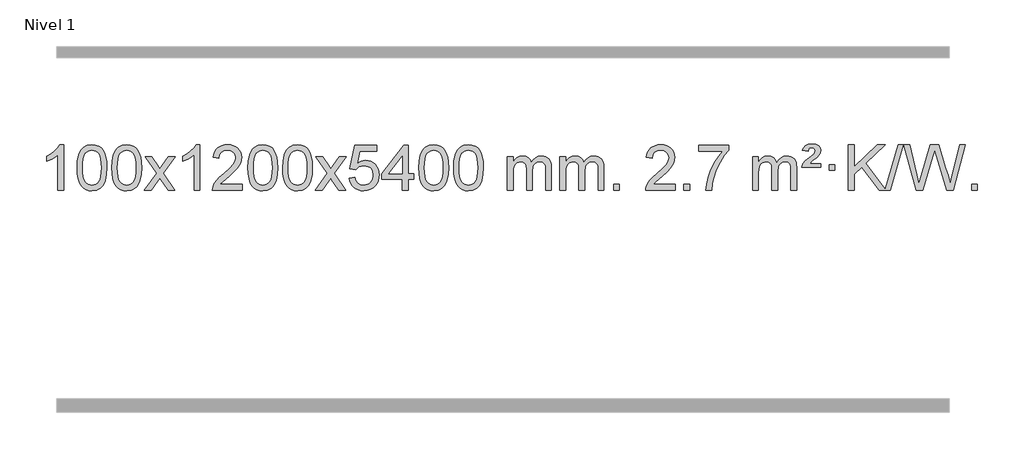
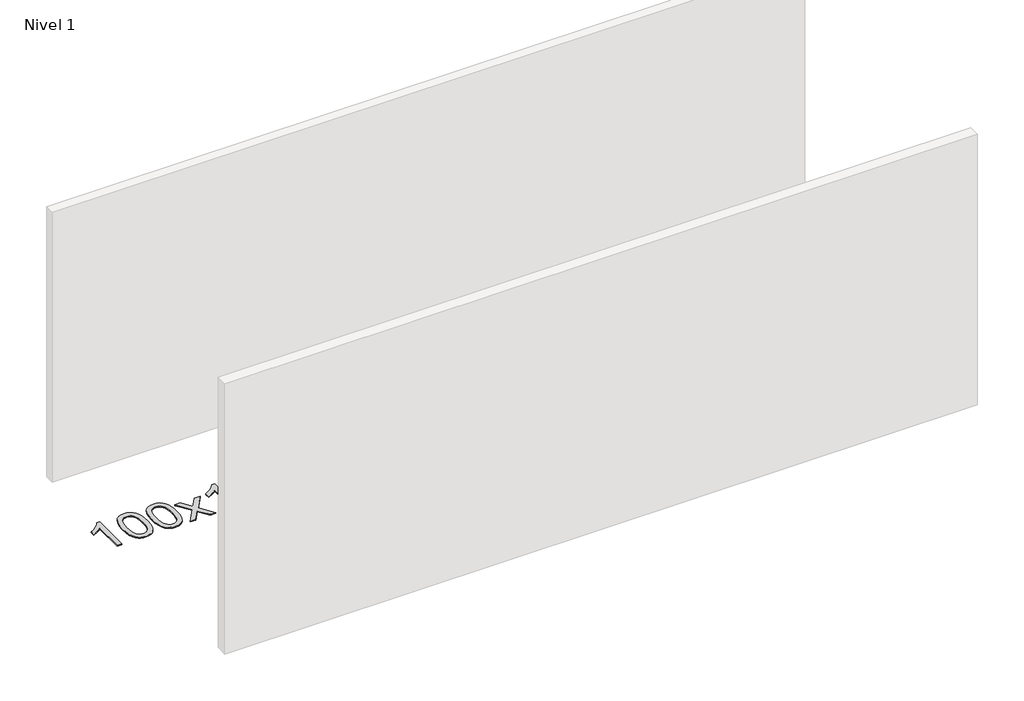
# One storey, part 6 of 8: 1 proxy.
"""IFC4 building model written with IfcOpenShell, lengths in millimetres."""

import ifcopenshell
import ifcopenshell.guid

model = None  # the IFC model being written
_history = None  # IfcOwnerHistory: only IFC2X3 demands one
_inside = {}  # id of a spatial element -> (the spatial element, [elements in it])
_under = {}  # id of a project, library or spatial element -> (it, [spatial elements below it])
_declared = {}  # id of a project -> (the project, [libraries it declares])
_typed = {}  # id of a type object -> (the type object, [elements of that type])
_made_of = {}  # id of a material, layer set ... -> (it, [elements and type objects made of it])


def new_model(schema):
    """Start an empty IFC model of exactly this schema.

    Asked for "IFC4X3", IfcOpenShell would pick the latest addendum, in which some entities
    have other attributes; the version numbers below select the first issue.
    IFC2X3 requires an IfcOwnerHistory on every rooted entity: one is made here for all.
    """
    global model, _history
    if schema == "IFC4X3":
        model = ifcopenshell.file(schema_version=(4, 3, 0, 0))
    else:
        model = ifcopenshell.file(schema=schema)
    _inside.clear()
    _under.clear()
    _declared.clear()
    _typed.clear()
    _made_of.clear()
    _history = None
    if model.schema == "IFC2X3":
        org = make("IfcOrganization", Name="unknown")
        user = make(
            "IfcPersonAndOrganization",
            ThePerson=make("IfcPerson", FamilyName="unknown"),
            TheOrganization=org,
        )
        app = make(
            "IfcApplication",
            ApplicationDeveloper=org,
            Version="unknown",
            ApplicationFullName="unknown",
            ApplicationIdentifier="unknown",
        )
        _history = make(
            "IfcOwnerHistory",
            OwningUser=user,
            OwningApplication=app,
            ChangeAction="ADDED",
            CreationDate=0,
        )
    return model


def make(cls, **values):
    """One entity of the class cls with the attributes given. An attribute that is None is left unset."""
    return model.create_entity(
        cls, **{name: value for name, value in values.items() if value is not None}
    )


def rooted(cls, **values):
    """An entity with a GlobalId (a new one), such as an element, a storey or a relation."""
    return make(cls, GlobalId=ifcopenshell.guid.new(), OwnerHistory=_history, **values)


def si_unit(unit_type, name, prefix=None):
    """IfcSIUnit, for example si_unit("LENGTHUNIT", "METRE", prefix="MILLI")."""
    return make("IfcSIUnit", UnitType=unit_type, Prefix=prefix, Name=name)


def assignment(units):
    """IfcUnitAssignment: the units of a project."""
    return None if units is None else make("IfcUnitAssignment", Units=units)


def point(xyz):
    """IfcCartesianPoint."""
    return None if xyz is None else make("IfcCartesianPoint", Coordinates=xyz)


def direction(xyz):
    """IfcDirection."""
    return None if xyz is None else make("IfcDirection", DirectionRatios=xyz)


def frame(location, z_axis=None, x_axis=None):
    """IfcAxis2Placement3D, a coordinate frame: its origin and axes. An axis left out is left unset."""
    return make(
        "IfcAxis2Placement3D",
        Location=point(location),
        Axis=direction(z_axis),
        RefDirection=direction(x_axis),
    )


def origin():
    """The frame at (0, 0, 0) with its axes left unset."""
    return frame((0.0, 0.0, 0.0))


def origin_with_axes():
    """The frame at (0, 0, 0) with the z axis (0, 0, 1) and the x axis (1, 0, 0) written out."""
    return frame((0.0, 0.0, 0.0), z_axis=(0.0, 0.0, 1.0), x_axis=(1.0, 0.0, 0.0))


def place(relative_to, where):
    """IfcLocalPlacement: puts the frame where relative to a parent placement (None: the world)."""
    return make(
        "IfcLocalPlacement", PlacementRelTo=relative_to, RelativePlacement=where
    )


def context(
    kind, dimensions, precision=None, world=None, true_north=None, identifier=None
):
    """IfcGeometricRepresentationContext, for example the 3D "Model" context."""
    return make(
        "IfcGeometricRepresentationContext",
        ContextIdentifier=identifier,
        ContextType=kind,
        CoordinateSpaceDimension=dimensions,
        Precision=precision,
        WorldCoordinateSystem=world,
        TrueNorth=true_north,
    )


def project(units=None, contexts=None):
    """IfcProject with its units and contexts."""
    return rooted(
        "IfcProject",
        Name="project",
        RepresentationContexts=contexts,
        UnitsInContext=assignment(units),
    )


def spatial(cls, under=None, at=None, **own):
    """A site, building, storey or space (cls), placed at a placement, below another one or the project."""
    s = rooted(cls, ObjectPlacement=at, **own)
    if under is not None:
        _under.setdefault(under.id(), (under, []))[1].append(s)
    return s


def polyline(points):
    """IfcPolyline through the points."""
    return make("IfcPolyline", Points=[point(p) for p in points])


def outline(outer, holes=None, kind="AREA"):
    """IfcArbitraryClosedProfileDef: a profile drawn as a closed curve; with holes, ...WithVoids."""
    if holes is None:
        return make("IfcArbitraryClosedProfileDef", ProfileType=kind, OuterCurve=outer)
    return make(
        "IfcArbitraryProfileDefWithVoids",
        ProfileType=kind,
        OuterCurve=outer,
        InnerCurves=holes,
    )


def extrude(swept, where, along, depth):
    """IfcExtrudedAreaSolid: the profile swept, set in the frame where, extruded along a direction by depth."""
    return make(
        "IfcExtrudedAreaSolid",
        SweptArea=swept,
        Position=where,
        ExtrudedDirection=direction(along),
        Depth=depth,
    )


def shape(context_of_items, identifier, shape_type, items):
    """IfcShapeRepresentation: the items that make up one representation, for example the "Body"."""
    return make(
        "IfcShapeRepresentation",
        ContextOfItems=context_of_items,
        RepresentationIdentifier=identifier,
        RepresentationType=shape_type,
        Items=items,
    )


def made_of(thing, what):
    """Note that an element or type object is made of a material, layer set ...; save() writes the relation."""
    if what is not None:
        _made_of.setdefault(what.id(), (what, []))[1].append(thing)
    return thing


def element(
    cls,
    number,
    at=None,
    inside=None,
    cuts=None,
    type_object=None,
    material=None,
    context=None,
    identifier="Body",
    shape_type=None,
    held_by="IfcProductDefinitionShape",
    body=None,
    shapes=None,
    **own,
):
    """One element of the class cls, such as IfcWall. Its Tag is "e" and its number.

    at: its placement. inside: the storey or other place that contains it. cuts: it is an
    opening in that element (IfcRelVoidsElement). A single representation is given by context,
    identifier, shape_type and body (its items); several are given by shapes. held_by: the class
    of the entity that holds the representations. save() writes the other relations.
    """
    e = rooted(cls, Tag="e%d" % number, ObjectPlacement=at, **own)
    if body is not None:
        shapes = [shape(context, identifier, shape_type, body)]
    if shapes is not None:
        e.Representation = make(held_by, Representations=shapes)
    if inside is not None:
        _inside.setdefault(inside.id(), (inside, []))[1].append(e)
    if cuts is not None:
        rooted(
            "IfcRelVoidsElement", RelatingBuildingElement=cuts, RelatedOpeningElement=e
        )
    if type_object is not None:
        _typed.setdefault(type_object.id(), (type_object, []))[1].append(e)
    return made_of(e, material)


def aggregate(whole, parts):
    """IfcRelAggregates: a whole, such as a stair, and the parts it consists of."""
    return rooted("IfcRelAggregates", RelatingObject=whole, RelatedObjects=parts)


def save(model, path):
    """Write the relations noted so far, then the file.

    IfcRelAggregates (storeys below a building ...), IfcRelContainedInSpatialStructure (elements
    in a storey), IfcRelDefinesByType, IfcRelAssociatesMaterial and IfcRelDeclares: one each for
    every whole, place, type object, material and project.
    """
    for whole, parts in _under.values():
        aggregate(whole, parts)
    for where, things in _inside.values():
        rooted(
            "IfcRelContainedInSpatialStructure",
            RelatedElements=things,
            RelatingStructure=where,
        )
    for kind, things in _typed.values():
        rooted("IfcRelDefinesByType", RelatedObjects=things, RelatingType=kind)
    for what, things in _made_of.values():
        rooted("IfcRelAssociatesMaterial", RelatedObjects=things, RelatingMaterial=what)
    for by, libraries in _declared.values():
        rooted("IfcRelDeclares", RelatingContext=by, RelatedDefinitions=libraries)
    model.write(path)


model = new_model("IFC4")

# Units and contexts
model_context = context("Model", 3, world=origin())
ifc_project = project(units=[si_unit("LENGTHUNIT", "METRE", prefix="MILLI")], contexts=[model_context])

# Site, building, storey
site = spatial("IfcSite", under=ifc_project)
building = spatial("IfcBuilding", under=site)
storey = spatial("IfcBuildingStorey", under=building, Name="Nivel 1", Elevation=0.0)

# Proxy
placement = place(None, origin())
element("IfcBuildingElementProxy", 1, Name="Texto de modelo 1", ObjectType="Texto de modelo 1", at=placement, inside=storey, context=model_context, shape_type="SweptSolid", body=[
    extrude(outline(polyline([(-173.1124343, -9420.579453), (-223.3405894, -9420.579453), (-223.3405894, -9107.4382987), (-244.3098631, -9124.3976587), (-270.9199941, -9141.3324932), (-323.7968995, -9166.6918254), (-323.7968995, -9119.2105225), (-284.3476869, -9097.7507395), (-250.1714496, -9072.219729), (-223.2302248, -9045.0700378), (-205.4860499, -9018.7542124), (-173.1124343, -9018.7542124), (-173.1124343, -9420.579453)])), origin_with_axes(), (0.0, 0.0, 1.0), 10.0),
    extrude(outline(polyline([(-53.820566, -9222.9041943), (-50.1294833, -9158.5861588), (-39.0562353, -9107.2911459), (-20.7111864, -9068.2343407), (-8.8531234, -9053.0009605), (4.7952986, -9040.6309284), (20.2800649, -9031.0598651), (37.6471607, -9024.2233914), (78.0283411, -9018.7542124), (108.9794796, -9021.991574), (136.6932566, -9031.7036586), (159.8698223, -9047.5103217), (177.209327, -9069.0314184), (190.305926, -9096.0830078), (200.7537747, -9128.4811488), (207.5963798, -9169.6226186), (209.8772482, -9222.9041943), (206.2229537, -9286.8543477), (195.2600702, -9338.0267333), (177.025386, -9377.1203266), (165.1949142, -9392.3996922), (151.5556892, -9404.8341036), (136.0525288, -9414.4695462), (118.6302506, -9421.3520052), (78.0283411, -9426.8579724), (50.363615, -9424.4667394), (25.8381487, -9417.2930405), (4.451942, -9405.3368757), (-13.7950049, -9388.5982449), (-31.3061879, -9358.3399508), (-43.8141757, -9320.6381776), (-51.3189684, -9275.4929255), (-53.820566, -9222.9041943)]), holes=[polyline([(-3.5924109, -9222.8060924), (-2.1208829, -9266.4706195), (2.293701, -9301.8148822), (9.6513409, -9328.8388804), (19.9520368, -9347.5426142), (32.4109737, -9360.2682656), (46.2433367, -9369.3580165), (61.4491258, -9374.8118671), (78.0283411, -9376.6298173), (94.6075563, -9374.8057357), (109.8133455, -9369.3334911), (123.6457085, -9360.2130833), (136.1046454, -9347.4445124), (146.4053412, -9328.7101217), (153.7629812, -9301.6922549), (158.1775651, -9266.3909118), (159.6490931, -9222.8060924), (158.226616, -9180.2973278), (153.9591849, -9145.5753989), (146.8467996, -9118.6403055), (136.8894603, -9099.4920476), (124.6389899, -9086.1440625), (110.6472113, -9076.6097875), (94.9141247, -9070.8892225), (77.4397299, -9068.9823675), (60.9463538, -9070.6623619), (45.998082, -9075.7023452), (32.5949147, -9084.1023175), (20.7368517, -9095.8622786), (10.0927993, -9116.708925), (2.4899047, -9144.8151094), (-2.071832, -9180.1808319), (-3.5924109, -9222.8060924)])]), origin_with_axes(), (0.0, 0.0, 1.0), 10.0),
    extrude(outline(polyline([(253.8268838, -9222.9041943), (257.5179665, -9158.5861588), (268.5912146, -9107.2911459), (286.9362634, -9068.2343407), (298.7943264, -9053.0009605), (312.4427484, -9040.6309284), (327.9275147, -9031.0598651), (345.2946106, -9024.2233914), (385.6757909, -9018.7542124), (416.6269294, -9021.991574), (444.3407064, -9031.7036586), (467.5172721, -9047.5103217), (484.8567768, -9069.0314184), (497.9533758, -9096.0830078), (508.4012245, -9128.4811488), (515.2438296, -9169.6226186), (517.524698, -9222.9041943), (513.8704035, -9286.8543477), (502.90752, -9338.0267333), (484.6728358, -9377.1203266), (472.842364, -9392.3996922), (459.203139, -9404.8341036), (443.6999786, -9414.4695462), (426.2777004, -9421.3520052), (385.6757909, -9426.8579724), (358.0110649, -9424.4667394), (333.4855985, -9417.2930405), (312.0993919, -9405.3368757), (293.8524449, -9388.5982449), (276.3412619, -9358.3399508), (263.8332741, -9320.6381776), (256.3284814, -9275.4929255), (253.8268838, -9222.9041943)]), holes=[polyline([(304.0550389, -9222.8060924), (305.5265669, -9266.4706195), (309.9411508, -9301.8148822), (317.2987907, -9328.8388804), (327.5994866, -9347.5426142), (340.0584235, -9360.2682656), (353.8907865, -9369.3580165), (369.0965757, -9374.8118671), (385.6757909, -9376.6298173), (402.2550062, -9374.8057357), (417.4607953, -9369.3334911), (431.2931583, -9360.2130833), (443.7520952, -9347.4445124), (454.0527911, -9328.7101217), (461.410431, -9301.6922549), (465.8250149, -9266.3909118), (467.2965429, -9222.8060924), (465.8740659, -9180.2973278), (461.6066347, -9145.5753989), (454.4942495, -9118.6403055), (444.5369101, -9099.4920476), (432.2864397, -9086.1440625), (418.2946612, -9076.6097875), (402.5615745, -9070.8892225), (385.0871797, -9068.9823675), (368.5938036, -9070.6623619), (353.6455319, -9075.7023452), (340.2423645, -9084.1023175), (328.3843015, -9095.8622786), (317.7402491, -9116.708925), (310.1373546, -9144.8151094), (305.5756178, -9180.1808319), (304.0550389, -9222.8060924)])]), origin_with_axes(), (0.0, 0.0, 1.0), 10.0),
    extrude(outline(polyline([(542.6387755, -9420.579453), (649.9622162, -9272.2494325), (548.9172949, -9125.4890419), (609.348044, -9125.4890419), (658.1046711, -9196.122385), (680.8643038, -9229.4770192), (700.5827788, -9202.2047007), (756.1084346, -9125.4890419), (816.5391837, -9125.4890419), (710.3929653, -9272.2494325), (812.615109, -9420.579453), (752.18436, -9420.579453), (690.6744904, -9331.4048574), (679.3927759, -9315.1199477), (603.0695246, -9420.579453), (542.6387755, -9420.579453)])), origin_with_axes(), (0.0, 0.0, 1.0), 10.0),
    extrude(outline(polyline([(1032.3632875, -9420.579453), (982.1351324, -9420.579453), (982.1351324, -9107.4382987), (961.1658587, -9124.3976587), (934.5557277, -9141.3324932), (881.6788223, -9166.6918254), (881.6788223, -9119.2105225), (921.1280349, -9097.7507395), (955.3042722, -9072.219729), (982.245497, -9045.0700378), (999.9896719, -9018.7542124), (1032.3632875, -9018.7542124), (1032.3632875, -9420.579453)])), origin_with_axes(), (0.0, 0.0, 1.0), 10.0),
    extrude(outline(polyline([(1409.0744506, -9370.3512979), (1409.0744506, -9420.579453), (1145.3766364, -9420.579453), (1146.4802824, -9402.8965918), (1150.772239, -9385.9494945), (1163.1575995, -9358.8856424), (1181.2819191, -9332.6311307), (1207.4996427, -9305.1503456), (1244.1652149, -9274.4076736), (1298.3664955, -9226.2641831), (1330.8872639, -9190.7267824), (1347.147648, -9161.884834), (1352.5677761, -9133.8277005), (1347.4542164, -9108.6768347), (1332.1135372, -9087.7688747), (1308.5323013, -9073.6789943), (1278.6970715, -9068.9823675), (1247.3657882, -9073.5686297), (1223.0242629, -9087.3274163), (1207.3157017, -9109.1796068), (1201.8833109, -9138.0460807), (1151.6551558, -9131.7675613), (1155.9747036, -9105.838012), (1163.8320498, -9083.1826125), (1175.2271946, -9063.8013627), (1190.160138, -9047.6942627), (1208.2875233, -9035.0329907), (1229.2659941, -9025.989225), (1253.0955503, -9020.5629655), (1279.776192, -9018.7542124), (1306.695957, -9020.7653006), (1330.6542719, -9026.7985654), (1351.6511368, -9036.8540066), (1369.6865516, -9050.9316242), (1384.1719052, -9067.9890861), (1394.5185863, -9086.9840598), (1400.726595, -9107.9165453), (1402.7959312, -9130.7865427), (1400.5641137, -9154.8092369), (1393.8686614, -9178.4149983), (1381.986073, -9202.4254299), (1364.1928471, -9227.6621347), (1335.8291453, -9257.7916701), (1292.2351289, -9296.4805933), (1234.4531302, -9344.795762), (1211.7915993, -9370.3512979), (1409.0744506, -9370.3512979)])), origin_with_axes(), (0.0, 0.0, 1.0), 10.0),
    extrude(outline(polyline([(1459.3026056, -9222.9041943), (1462.9936883, -9158.5861588), (1474.0669364, -9107.2911459), (1492.4119852, -9068.2343407), (1504.2700482, -9053.0009605), (1517.9184702, -9040.6309284), (1533.4032365, -9031.0598651), (1550.7703324, -9024.2233914), (1591.1515127, -9018.7542124), (1622.1026512, -9021.991574), (1649.8164282, -9031.7036586), (1672.9929939, -9047.5103217), (1690.3324986, -9069.0314184), (1703.4290976, -9096.0830078), (1713.8769463, -9128.4811488), (1720.7195514, -9169.6226186), (1723.0004198, -9222.9041943), (1719.3461253, -9286.8543477), (1708.3832418, -9338.0267333), (1690.1485576, -9377.1203266), (1678.3180858, -9392.3996922), (1664.6788608, -9404.8341036), (1649.1757004, -9414.4695462), (1631.7534222, -9421.3520052), (1591.1515127, -9426.8579724), (1563.4867867, -9424.4667394), (1538.9613203, -9417.2930405), (1517.5751137, -9405.3368757), (1499.3281667, -9388.5982449), (1481.8169837, -9358.3399508), (1469.3089959, -9320.6381776), (1461.8042032, -9275.4929255), (1459.3026056, -9222.9041943)]), holes=[polyline([(1509.5307607, -9222.8060924), (1511.0022887, -9266.4706195), (1515.4168726, -9301.8148822), (1522.7745125, -9328.8388804), (1533.0752084, -9347.5426142), (1545.5341453, -9360.2682656), (1559.3665083, -9369.3580165), (1574.5722975, -9374.8118671), (1591.1515127, -9376.6298173), (1607.730728, -9374.8057357), (1622.9365171, -9369.3334911), (1636.7688801, -9360.2130833), (1649.227817, -9347.4445124), (1659.5285129, -9328.7101217), (1666.8861528, -9301.6922549), (1671.3007367, -9266.3909118), (1672.7722647, -9222.8060924), (1671.3497877, -9180.2973278), (1667.0823565, -9145.5753989), (1659.9699713, -9118.6403055), (1650.0126319, -9099.4920476), (1637.7621615, -9086.1440625), (1623.7703829, -9076.6097875), (1608.0372963, -9070.8892225), (1590.5629015, -9068.9823675), (1574.0695254, -9070.6623619), (1559.1212537, -9075.7023452), (1545.7180863, -9084.1023175), (1533.8600233, -9095.8622786), (1523.2159709, -9116.708925), (1515.6130764, -9144.8151094), (1511.0513396, -9180.1808319), (1509.5307607, -9222.8060924)])]), origin_with_axes(), (0.0, 0.0, 1.0), 10.0),
    extrude(outline(polyline([(1766.9500555, -9222.9041943), (1770.6411382, -9158.5861588), (1781.7143862, -9107.2911459), (1800.059435, -9068.2343407), (1811.917498, -9053.0009605), (1825.56592, -9040.6309284), (1841.0506863, -9031.0598651), (1858.4177822, -9024.2233914), (1898.7989625, -9018.7542124), (1929.7501011, -9021.991574), (1957.463878, -9031.7036586), (1980.6404437, -9047.5103217), (1997.9799484, -9069.0314184), (2011.0765475, -9096.0830078), (2021.5243961, -9128.4811488), (2028.3670012, -9169.6226186), (2030.6478696, -9222.9041943), (2026.9935751, -9286.8543477), (2016.0306917, -9338.0267333), (1997.7960074, -9377.1203266), (1985.9655356, -9392.3996922), (1972.3263106, -9404.8341036), (1956.8231502, -9414.4695462), (1939.4008721, -9421.3520052), (1898.7989625, -9426.8579724), (1871.1342365, -9424.4667394), (1846.6087702, -9417.2930405), (1825.2225635, -9405.3368757), (1806.9756165, -9388.5982449), (1789.4644336, -9358.3399508), (1776.9564457, -9320.6381776), (1769.451653, -9275.4929255), (1766.9500555, -9222.9041943)]), holes=[polyline([(1817.1782105, -9222.8060924), (1818.6497385, -9266.4706195), (1823.0643225, -9301.8148822), (1830.4219624, -9328.8388804), (1840.7226582, -9347.5426142), (1853.1815951, -9360.2682656), (1867.0139582, -9369.3580165), (1882.2197473, -9374.8118671), (1898.7989625, -9376.6298173), (1915.3781778, -9374.8057357), (1930.5839669, -9369.3334911), (1944.4163299, -9360.2130833), (1956.8752668, -9347.4445124), (1967.1759627, -9328.7101217), (1974.5336026, -9301.6922549), (1978.9481866, -9266.3909118), (1980.4197145, -9222.8060924), (1978.9972375, -9180.2973278), (1974.7298063, -9145.5753989), (1967.6174211, -9118.6403055), (1957.6600818, -9099.4920476), (1945.4096113, -9086.1440625), (1931.4178328, -9076.6097875), (1915.6847461, -9070.8892225), (1898.2103513, -9068.9823675), (1881.7169752, -9070.6623619), (1866.7687035, -9075.7023452), (1853.3655361, -9084.1023175), (1841.5074732, -9095.8622786), (1830.8634208, -9116.708925), (1823.2605262, -9144.8151094), (1818.6987895, -9180.1808319), (1817.1782105, -9222.8060924)])]), origin_with_axes(), (0.0, 0.0, 1.0), 10.0),
    extrude(outline(polyline([(2055.7619471, -9420.579453), (2163.0853879, -9272.2494325), (2062.0404665, -9125.4890419), (2122.4712156, -9125.4890419), (2171.2278427, -9196.122385), (2193.9874755, -9229.4770192), (2213.7059504, -9202.2047007), (2269.2316062, -9125.4890419), (2329.6623553, -9125.4890419), (2223.5161369, -9272.2494325), (2325.7382807, -9420.579453), (2265.3075316, -9420.579453), (2203.797662, -9331.4048574), (2192.5159475, -9315.1199477), (2116.1926962, -9420.579453), (2055.7619471, -9420.579453)])), origin_with_axes(), (0.0, 0.0, 1.0), 10.0),
    extrude(outline(polyline([(2357.1308776, -9313.8446235), (2407.3590327, -9307.5661041), (2416.580608, -9337.7201649), (2432.6693139, -9359.3148381), (2455.551574, -9372.3010725), (2485.1538119, -9376.6298173), (2504.2836757, -9375.1245668), (2521.1571965, -9370.6088153), (2535.7743745, -9363.0825628), (2548.1352095, -9352.5458094), (2557.9637901, -9339.519721), (2564.9842049, -9324.5254641), (2570.6005367, -9288.6324441), (2565.3398241, -9254.8363514), (2558.7639335, -9240.9181493), (2549.5576865, -9228.9865099), (2537.6904265, -9219.4154467), (2523.1314966, -9212.5789729), (2485.9386268, -9207.1097939), (2461.572576, -9209.2925604), (2441.8418384, -9215.8408599), (2426.0842262, -9225.8717757), (2413.6375521, -9238.5023908), (2363.409397, -9232.2238715), (2407.3590327, -9025.0327318), (2601.9931336, -9025.0327318), (2601.9931336, -9075.2608869), (2447.9732049, -9075.2608869), (2426.4888964, -9185.919791), (2444.2146772, -9173.2155994), (2462.3696537, -9164.1411769), (2480.9538258, -9158.6965234), (2499.9671936, -9156.8816388), (2524.4282806, -9159.1318504), (2546.8966734, -9165.882485), (2567.3723722, -9177.1335427), (2585.8553767, -9192.8850234), (2601.156202, -9212.1743027), (2612.085363, -9234.038756), (2618.6428596, -9258.4783832), (2620.8286917, -9285.4931844), (2618.8605231, -9311.5147042), (2612.956017, -9335.7213394), (2603.1151737, -9358.1130902), (2589.337993, -9378.6899565), (2568.4668211, -9399.7634634), (2544.113033, -9414.8159684), (2516.2766287, -9423.8474714), (2484.9576082, -9426.8579724), (2459.0372559, -9424.9235262), (2435.6246326, -9419.1201877), (2414.7197383, -9409.447957), (2396.3225728, -9395.9068338), (2381.0156161, -9379.1712688), (2369.381348, -9359.915712), (2361.4197685, -9338.1401636), (2357.1308776, -9313.8446235)])), origin_with_axes(), (0.0, 0.0, 1.0), 10.0),
    extrude(outline(polyline([(2828.0198314, -9420.579453), (2828.0198314, -9326.4016622), (2645.9427693, -9326.4016622), (2645.9427693, -9276.1735072), (2840.5768702, -9025.0327318), (2878.2479865, -9025.0327318), (2878.2479865, -9276.1735072), (2928.4761416, -9276.1735072), (2928.4761416, -9326.4016622), (2878.2479865, -9326.4016622), (2878.2479865, -9420.579453), (2828.0198314, -9420.579453)]), holes=[polyline([(2828.0198314, -9276.1735072), (2828.0198314, -9120.9763561), (2707.7469445, -9276.1735072), (2828.0198314, -9276.1735072)])]), origin_with_axes(), (0.0, 0.0, 1.0), 10.0),
    extrude(outline(polyline([(2972.4257773, -9222.9041943), (2976.1168599, -9158.5861588), (2987.190108, -9107.2911459), (3005.5351568, -9068.2343407), (3017.3932198, -9053.0009605), (3031.0416418, -9040.6309284), (3046.5264081, -9031.0598651), (3063.893504, -9024.2233914), (3104.2746843, -9018.7542124), (3135.2258229, -9021.991574), (3162.9395998, -9031.7036586), (3186.1161655, -9047.5103217), (3203.4556702, -9069.0314184), (3216.5522693, -9096.0830078), (3227.0001179, -9128.4811488), (3233.842723, -9169.6226186), (3236.1235914, -9222.9041943), (3232.4692969, -9286.8543477), (3221.5064135, -9338.0267333), (3203.2717292, -9377.1203266), (3191.4412574, -9392.3996922), (3177.8020324, -9404.8341036), (3162.298872, -9414.4695462), (3144.8765939, -9421.3520052), (3104.2746843, -9426.8579724), (3076.6099583, -9424.4667394), (3052.084492, -9417.2930405), (3030.6982853, -9405.3368757), (3012.4513383, -9388.5982449), (2994.9401554, -9358.3399508), (2982.4321675, -9320.6381776), (2974.9273748, -9275.4929255), (2972.4257773, -9222.9041943)]), holes=[polyline([(3022.6539323, -9222.8060924), (3024.1254603, -9266.4706195), (3028.5400443, -9301.8148822), (3035.8976842, -9328.8388804), (3046.19838, -9347.5426142), (3058.6573169, -9360.2682656), (3072.48968, -9369.3580165), (3087.6954691, -9374.8118671), (3104.2746843, -9376.6298173), (3120.8538996, -9374.8057357), (3136.0596887, -9369.3334911), (3149.8920517, -9360.2130833), (3162.3509886, -9347.4445124), (3172.6516845, -9328.7101217), (3180.0093244, -9301.6922549), (3184.4239084, -9266.3909118), (3185.8954363, -9222.8060924), (3184.4729593, -9180.2973278), (3180.2055281, -9145.5753989), (3173.0931429, -9118.6403055), (3163.1358036, -9099.4920476), (3150.8853331, -9086.1440625), (3136.8935546, -9076.6097875), (3121.1604679, -9070.8892225), (3103.6860731, -9068.9823675), (3087.192697, -9070.6623619), (3072.2444253, -9075.7023452), (3058.8412579, -9084.1023175), (3046.983195, -9095.8622786), (3036.3391426, -9116.708925), (3028.736248, -9144.8151094), (3024.1745113, -9180.1808319), (3022.6539323, -9222.8060924)])]), origin_with_axes(), (0.0, 0.0, 1.0), 10.0),
    extrude(outline(polyline([(3280.0732271, -9222.9041943), (3283.7643098, -9158.5861588), (3294.8375578, -9107.2911459), (3313.1826067, -9068.2343407), (3325.0406696, -9053.0009605), (3338.6890917, -9040.6309284), (3354.173858, -9031.0598651), (3371.5409538, -9024.2233914), (3411.9221342, -9018.7542124), (3442.8732727, -9021.991574), (3470.5870497, -9031.7036586), (3493.7636154, -9047.5103217), (3511.1031201, -9069.0314184), (3524.1997191, -9096.0830078), (3534.6475678, -9128.4811488), (3541.4901729, -9169.6226186), (3543.7710412, -9222.9041943), (3540.1167468, -9286.8543477), (3529.1538633, -9338.0267333), (3510.9191791, -9377.1203266), (3499.0887072, -9392.3996922), (3485.4494823, -9404.8341036), (3469.9463219, -9414.4695462), (3452.5240437, -9421.3520052), (3411.9221342, -9426.8579724), (3384.2574081, -9424.4667394), (3359.7319418, -9417.2930405), (3338.3457351, -9405.3368757), (3320.0987882, -9388.5982449), (3302.5876052, -9358.3399508), (3290.0796174, -9320.6381776), (3282.5748247, -9275.4929255), (3280.0732271, -9222.9041943)]), holes=[polyline([(3330.3013822, -9222.8060924), (3331.7729102, -9266.4706195), (3336.1874941, -9301.8148822), (3343.545134, -9328.8388804), (3353.8458299, -9347.5426142), (3366.3047668, -9360.2682656), (3380.1371298, -9369.3580165), (3395.3429189, -9374.8118671), (3411.9221342, -9376.6298173), (3428.5013494, -9374.8057357), (3443.7071386, -9369.3334911), (3457.5395016, -9360.2130833), (3469.9984385, -9347.4445124), (3480.2991343, -9328.7101217), (3487.6567742, -9301.6922549), (3492.0713582, -9266.3909118), (3493.5428862, -9222.8060924), (3492.1204091, -9180.2973278), (3487.852978, -9145.5753989), (3480.7405927, -9118.6403055), (3470.7832534, -9099.4920476), (3458.532783, -9086.1440625), (3444.5410044, -9076.6097875), (3428.8079177, -9070.8892225), (3411.333523, -9068.9823675), (3394.8401469, -9070.6623619), (3379.8918751, -9075.7023452), (3366.4887078, -9084.1023175), (3354.6306448, -9095.8622786), (3343.9865924, -9116.708925), (3336.3836978, -9144.8151094), (3331.8219611, -9180.1808319), (3330.3013822, -9222.8060924)])]), origin_with_axes(), (0.0, 0.0, 1.0), 10.0),
    extrude(outline(polyline([(3757.2407003, -9420.579453), (3757.2407003, -9125.4890419), (3807.4688554, -9125.4890419), (3807.4688554, -9174.0494653), (3822.5765427, -9151.7435537), (3842.000712, -9134.2691589), (3865.0791758, -9122.9751816), (3891.1497466, -9119.2105225), (3919.0842527, -9123.048758), (3941.4760035, -9134.5634645), (3958.2023715, -9152.9943524), (3969.1407295, -9177.5811324), (3987.4489902, -9152.0439906), (4008.3324247, -9133.803175), (4031.7910333, -9122.8586857), (4057.8248158, -9119.2105225), (4077.9326326, -9120.7280358), (4095.5817713, -9125.2805755), (4110.772232, -9132.8681416), (4123.5040147, -9143.4907342), (4133.568653, -9157.2709806), (4140.7576803, -9174.3315082), (4145.0710967, -9194.6723168), (4146.5089021, -9218.2934066), (4146.5089021, -9420.579453), (4096.2807471, -9420.579453), (4096.2807471, -9239.875817), (4095.1157874, -9214.8230531), (4091.6209085, -9197.9372695), (4085.0726089, -9186.3735121), (4074.7473876, -9177.2868268), (4061.4668476, -9171.4007149), (4046.052592, -9169.4386776), (4018.8415871, -9174.4663982), (3996.6583028, -9189.54956), (3988.0529298, -9201.1194488), (3981.9062348, -9215.7182326), (3976.9888788, -9254.0024856), (3976.9888788, -9420.579453), (3926.7607237, -9420.579453), (3926.7607237, -9234.2840106), (3923.8544559, -9205.8835206), (3915.1356526, -9185.6254854), (3899.7949734, -9173.4853796), (3877.0230779, -9169.4386776), (3857.672485, -9172.1364789), (3839.842471, -9180.2298828), (3825.1271912, -9193.5226856), (3815.1208009, -9211.8186835), (3809.3818418, -9237.2025411), (3807.4688554, -9271.7589232), (3807.4688554, -9420.579453), (3757.2407003, -9420.579453)])), origin_with_axes(), (0.0, 0.0, 1.0), 10.0),
    extrude(outline(polyline([(4221.8511348, -9420.579453), (4221.8511348, -9125.4890419), (4272.0792898, -9125.4890419), (4272.0792898, -9174.0494653), (4287.1869771, -9151.7435537), (4306.6111464, -9134.2691589), (4329.6896103, -9122.9751816), (4355.760181, -9119.2105225), (4383.6946872, -9123.048758), (4406.0864379, -9134.5634645), (4422.812806, -9152.9943524), (4433.751164, -9177.5811324), (4452.0594246, -9152.0439906), (4472.9428592, -9133.803175), (4496.4014678, -9122.8586857), (4522.4352503, -9119.2105225), (4542.543067, -9120.7280358), (4560.1922057, -9125.2805755), (4575.3826664, -9132.8681416), (4588.1144491, -9143.4907342), (4598.1790874, -9157.2709806), (4605.3681147, -9174.3315082), (4609.6815311, -9194.6723168), (4611.1193366, -9218.2934066), (4611.1193366, -9420.579453), (4560.8911815, -9420.579453), (4560.8911815, -9239.875817), (4559.7262219, -9214.8230531), (4556.2313429, -9197.9372695), (4549.6830434, -9186.3735121), (4539.3578221, -9177.2868268), (4526.077282, -9171.4007149), (4510.6630264, -9169.4386776), (4483.4520215, -9174.4663982), (4461.2687372, -9189.54956), (4452.6633642, -9201.1194488), (4446.5166692, -9215.7182326), (4441.5993132, -9254.0024856), (4441.5993132, -9420.579453), (4391.3711581, -9420.579453), (4391.3711581, -9234.2840106), (4388.4648904, -9205.8835206), (4379.7460871, -9185.6254854), (4364.4054079, -9173.4853796), (4341.6335124, -9169.4386776), (4322.2829194, -9172.1364789), (4304.4529054, -9180.2298828), (4289.7376256, -9193.5226856), (4279.7312353, -9211.8186835), (4273.9922762, -9237.2025411), (4272.0792898, -9271.7589232), (4272.0792898, -9420.579453), (4221.8511348, -9420.579453)])), origin_with_axes(), (0.0, 0.0, 1.0), 10.0),
    extrude(outline(polyline([(4699.018608, -9420.579453), (4699.018608, -9370.3512979), (4749.246763, -9370.3512979), (4749.246763, -9420.579453), (4699.018608, -9420.579453)])), origin_with_axes(), (0.0, 0.0, 1.0), 10.0),
    extrude(outline(polyline([(5245.2497944, -9370.3512979), (5245.2497944, -9420.579453), (4981.5519803, -9420.579453), (4982.6556262, -9402.8965918), (4986.9475829, -9385.9494945), (4999.3329434, -9358.8856424), (5017.457263, -9332.6311307), (5043.6749865, -9305.1503456), (5080.3405587, -9274.4076736), (5134.5418393, -9226.2641831), (5167.0626077, -9190.7267824), (5183.3229919, -9161.884834), (5188.7431199, -9133.8277005), (5183.6295602, -9108.6768347), (5168.288881, -9087.7688747), (5144.7076451, -9073.6789943), (5114.8724153, -9068.9823675), (5083.5411321, -9073.5686297), (5059.1996067, -9087.3274163), (5043.4910455, -9109.1796068), (5038.0586547, -9138.0460807), (4987.8304996, -9131.7675613), (4992.1500474, -9105.838012), (5000.0073937, -9083.1826125), (5011.4025385, -9063.8013627), (5026.3354818, -9047.6942627), (5044.4628671, -9035.0329907), (5065.4413379, -9025.989225), (5089.2708941, -9020.5629655), (5115.9515358, -9018.7542124), (5142.8713008, -9020.7653006), (5166.8296158, -9026.7985654), (5187.8264806, -9036.8540066), (5205.8618954, -9050.9316242), (5220.347249, -9067.9890861), (5230.6939301, -9086.9840598), (5236.9019388, -9107.9165453), (5238.971275, -9130.7865427), (5236.7394576, -9154.8092369), (5230.0440053, -9178.4149983), (5218.1614168, -9202.4254299), (5200.368191, -9227.6621347), (5172.0044892, -9257.7916701), (5128.4104727, -9296.4805933), (5070.628474, -9344.795762), (5047.9669431, -9370.3512979), (5245.2497944, -9370.3512979)])), origin_with_axes(), (0.0, 0.0, 1.0), 10.0),
    extrude(outline(polyline([(5320.592027, -9420.579453), (5320.592027, -9370.3512979), (5370.8201821, -9370.3512979), (5370.8201821, -9420.579453), (5320.592027, -9420.579453)])), origin_with_axes(), (0.0, 0.0, 1.0), 10.0),
    extrude(outline(polyline([(5452.4409341, -9075.2608869), (5452.4409341, -9025.0327318), (5716.1387482, -9025.0327318), (5716.1387482, -9065.646904), (5678.5534711, -9113.214046), (5641.3360759, -9173.7061088), (5608.5087392, -9241.6048623), (5584.0936374, -9311.3920768), (5572.1252098, -9363.6067947), (5565.454283, -9420.579453), (5515.2261279, -9420.579453), (5520.6585187, -9368.8061935), (5535.1898575, -9307.2717985), (5558.4277369, -9242.0463207), (5589.9797493, -9179.1998132), (5626.8169998, -9122.3865704), (5665.9105932, -9075.2608869), (5452.4409341, -9075.2608869)])), origin_with_axes(), (0.0, 0.0, 1.0), 10.0),
    extrude(outline(polyline([(5929.6084073, -9420.579453), (5929.6084073, -9125.4890419), (5979.8365624, -9125.4890419), (5979.8365624, -9174.0494653), (5994.9442496, -9151.7435537), (6014.368419, -9134.2691589), (6037.4468828, -9122.9751816), (6063.5174535, -9119.2105225), (6091.4519597, -9123.048758), (6113.8437105, -9134.5634645), (6130.5700785, -9152.9943524), (6141.5084365, -9177.5811324), (6159.8166971, -9152.0439906), (6180.7001317, -9133.803175), (6204.1587403, -9122.8586857), (6230.1925228, -9119.2105225), (6250.3003395, -9120.7280358), (6267.9494783, -9125.2805755), (6283.139939, -9132.8681416), (6295.8717217, -9143.4907342), (6305.9363599, -9157.2709806), (6313.1253873, -9174.3315082), (6317.4388037, -9194.6723168), (6318.8766091, -9218.2934066), (6318.8766091, -9420.579453), (6268.648454, -9420.579453), (6268.648454, -9239.875817), (6267.4834944, -9214.8230531), (6263.9886154, -9197.9372695), (6257.4403159, -9186.3735121), (6247.1150946, -9177.2868268), (6233.8345546, -9171.4007149), (6218.420299, -9169.4386776), (6191.2092941, -9174.4663982), (6169.0260098, -9189.54956), (6160.4206368, -9201.1194488), (6154.2739417, -9215.7182326), (6149.3565857, -9254.0024856), (6149.3565857, -9420.579453), (6099.1284307, -9420.579453), (6099.1284307, -9234.2840106), (6096.2221629, -9205.8835206), (6087.5033596, -9185.6254854), (6072.1626804, -9173.4853796), (6049.3907849, -9169.4386776), (6030.040192, -9172.1364789), (6012.2101779, -9180.2298828), (5997.4948981, -9193.5226856), (5987.4885079, -9211.8186835), (5981.7495487, -9237.2025411), (5979.8365624, -9271.7589232), (5979.8365624, -9420.579453), (5929.6084073, -9420.579453)])), origin_with_axes(), (0.0, 0.0, 1.0), 10.0),
    extrude(outline(polyline([(6362.8262448, -9219.6668327), (6366.6522176, -9203.8479069), (6374.9908761, -9187.9799302), (6396.4997101, -9162.8413272), (6428.4563928, -9135.1030247), (6472.6022322, -9097.726214), (6479.7391429, -9086.1992448), (6482.1181131, -9074.3779701), (6480.2296522, -9062.2869152), (6474.5642695, -9052.5012541), (6465.1955413, -9046.026531), (6452.1970442, -9043.8682899), (6439.7626327, -9045.4869707), (6430.9089394, -9050.343013), (6424.4832672, -9059.8098431), (6419.3329193, -9075.2608869), (6369.1047642, -9068.9823675), (6379.9450203, -9043.7701881), (6396.5732865, -9026.2099542), (6420.3384634, -9015.9092583), (6452.5894516, -9012.475693), (6488.372107, -9016.6082341), (6513.1183026, -9029.0058573), (6527.5392768, -9047.3386434), (6532.3462682, -9069.2766731), (6528.2505153, -9092.1834586), (6515.9632567, -9113.8149199), (6495.4354413, -9133.6314968), (6458.9660729, -9161.6886303), (6433.361486, -9188.2742358), (6532.3462682, -9188.2742358), (6532.3462682, -9219.6668327), (6362.8262448, -9219.6668327)])), origin_with_axes(), (0.0, 0.0, 1.0), 10.0),
    extrude(outline(polyline([(6607.6885008, -9244.7809102), (6607.6885008, -9194.5527552), (6657.9166559, -9194.5527552), (6657.9166559, -9244.7809102), (6607.6885008, -9244.7809102)])), origin_with_axes(), (0.0, 0.0, 1.0), 10.0),
    extrude(outline(polyline([(7048.5582838, -9420.579453), (6895.1269664, -9217.9009991), (6827.4366793, -9282.4520265), (6827.4366793, -9420.579453), (6777.2085242, -9420.579453), (6777.2085242, -9018.7542124), (6827.4366793, -9018.7542124), (6827.4366793, -9215.4484525), (7033.4505966, -9018.7542124), (7103.6915322, -9018.7542124), (6930.7379435, -9183.9577537), (7105.3915534, -9414.5349332), (7216.7048811, -9018.7542124), (7262.0279429, -9018.7542124), (7149.014594, -9420.579453), (7109.9700516, -9420.579453), (7103.6915322, -9420.579453), (7048.5582838, -9420.579453)])), origin_with_axes(), (0.0, 0.0, 1.0), 10.0),
    extrude(outline(polyline([(7376.5128198, -9420.579453), (7266.9330362, -9018.7542124), (7318.7308211, -9018.7542124), (7382.3008298, -9282.844434), (7401.9212029, -9364.3670841), (7422.9150021, -9292.2622131), (7502.5737168, -9018.7542124), (7577.2292364, -9018.7542124), (7635.1093369, -9217.0180823), (7659.9045834, -9290.5944814), (7678.1760558, -9364.3670841), (7697.2078177, -9285.1988788), (7761.3664377, -9018.7542124), (7813.1642226, -9018.7542124), (7703.4863371, -9420.579453), (7649.8246167, -9420.579453), (7553.4885849, -9110.5775584), (7540.0486294, -9067.3146358), (7524.9409421, -9119.4067263), (7437.1397726, -9420.579453), (7376.5128198, -9420.579453)])), origin_with_axes(), (0.0, 0.0, 1.0), 10.0),
    extrude(outline(polyline([(7869.6708971, -9420.579453), (7869.6708971, -9370.3512979), (7919.8990521, -9370.3512979), (7919.8990521, -9420.579453), (7869.6708971, -9420.579453)])), origin_with_axes(), (0.0, 0.0, 1.0), 10.0),
])

save(model, "model.ifc")
